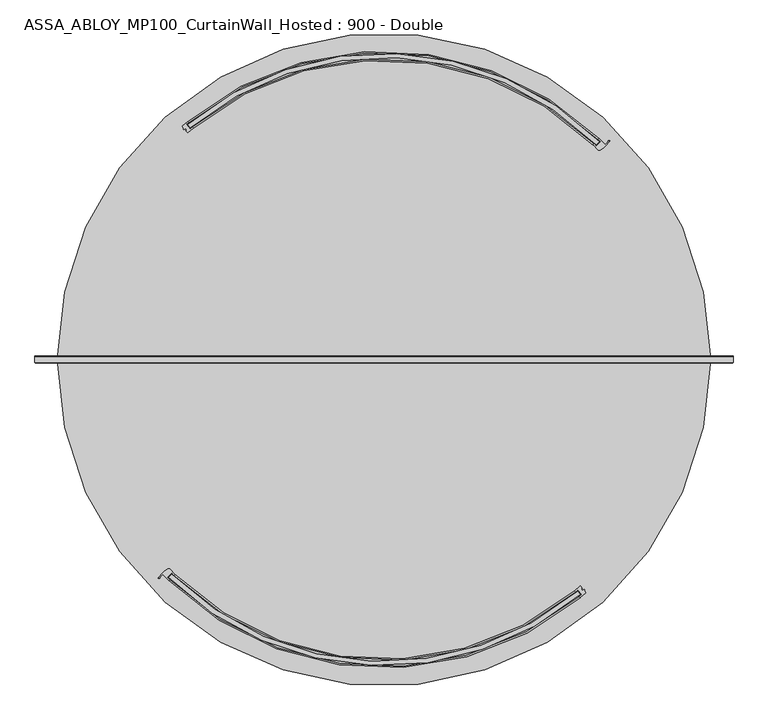
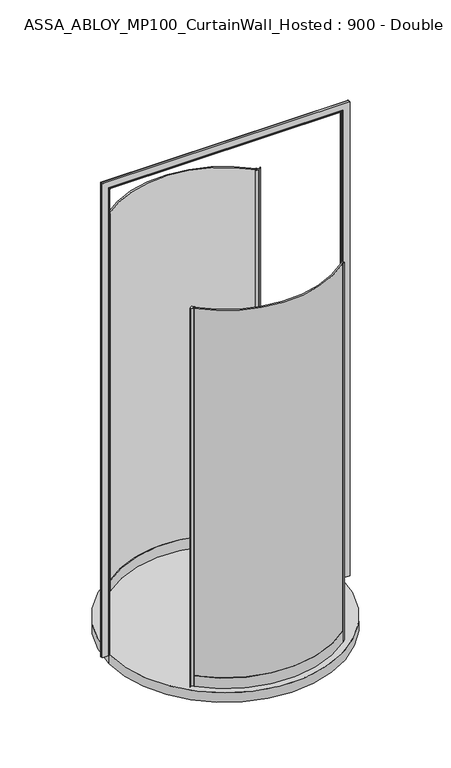
"""IFC4 building model written with IfcOpenShell, lengths in millimetres: plate geometry, ASSA_ABLOY_MP100_CurtainWall_Hosted : 900 - Double."""

from ifc_helpers import new_model, si_unit, point, frame, origin, origin_with_axes, origin_2d, place, context, project, spatial, polyline, circle_curve, ellipse_curve, trimmed, segment, composite_curve, outline, extrude, source, transform, mapped, element, save
from ifc_brep_helpers import plane_surface, cylinder_surface, revolved_surface, advanced_brep


def assa_abloy_mp100_curtainwall_hosted_900_double_670f4425(model_context):
    return source(origin(), model_context, "Body", "SolidModel", [
        extrude(outline(composite_curve([segment(trimmed(circle_curve(origin_2d(), 698.5), [point((-490.9895728, -496.8213858))], [point((447.911727, -535.9825882))], True, "CARTESIAN"), True, "CONTINUOUS"), segment(polyline([(447.911727, -535.9825882), (454.2710339, -543.7003566)]), True, "CONTINUOUS"), segment(trimmed(circle_curve(origin_2d(), 708.5), [point((454.2710339, -543.7003566))], [point((-497.9678543, -503.9843907))], False, "CARTESIAN"), True, "CONTINUOUS"), segment(polyline([(-497.9678543, -503.9843907), (-490.9895728, -496.8213858)]), True, "CONTINUOUS")], self_intersect=False)), origin_with_axes(), (0.0, 0.0, 1.0), 2600.0),
        extrude(outline(composite_curve([segment(polyline([(453.994875, -524.2431721), (458.3305753, -529.5050553), (456.4011788, -531.0948444), (458.6268836, -533.7959994), (463.1303685, -531.7447887), (463.8351403, -532.6001123), (462.4592124, -534.5156429), (466.7169037, -539.682853)]), True, "CONTINUOUS"), segment(trimmed(circle_curve(origin_2d(), 713.5), [point((466.7169037, -539.682853))], [point((453.7258137, -550.6497399))], False, "CARTESIAN"), True, "CONTINUOUS"), segment(polyline([(453.7258137, -550.6497399), (451.8180667, -548.3344642)]), True, "CONTINUOUS"), segment(trimmed(circle_curve(origin_2d(), 710.5), [point((451.8180667, -548.3344642))], [point((457.1984481, -543.8564416))], True, "CARTESIAN"), True, "CONTINUOUS"), segment(polyline([(457.1984481, -543.8564416), (448.2951882, -533.0512867)]), True, "CONTINUOUS"), segment(trimmed(circle_curve(origin_2d(), 696.5), [point((448.2951882, -533.0512867))], [point((442.7977457, -537.6266422))], False, "CARTESIAN"), True, "CONTINUOUS"), segment(polyline([(442.7977457, -537.6266422), (441.0075007, -535.2145685)]), True, "CONTINUOUS"), segment(trimmed(circle_curve(origin_2d(), 693.5), [point((441.0075007, -535.2145685))], [point((453.994875, -524.2431721))], True, "CARTESIAN"), True, "CONTINUOUS")], self_intersect=False)), origin_with_axes(), (0.0, 0.0, 1.0), 2600.0),
        advanced_brep(
        [(-490.998522, -493.9942887, 0.0), (-500.699855, -504.0902616, 0.0), (-495.6884468, -508.9778468, 0.0), (-497.7670678, -511.1410238, 0.0), (-511.6133107, -497.2748611, 0.0), (-518.778249, -505.9668089, 0.0), (-521.349799, -504.6508512, 0.0), (-499.4826662, -484.364755, 0.0), (-495.8006619, -484.8633819, 0.0), (-483.9095948, -496.7198435, 0.0), (-485.9882157, -498.8830206, 0.0), (-490.998522, -493.9942887, 2600.0), (-485.9882157, -498.8830206, 2600.0), (-483.9095948, -496.7198435, 2600.0), (-495.8006619, -484.8633819, 2600.0), (-499.4826662, -484.364755, 2600.0), (-521.349799, -504.6508512, 2600.0), (-518.7920549, -505.9595954, 2600.0), (-511.6133107, -497.2748611, 2600.0), (-497.7670678, -511.1410238, 2600.0), (-495.6884468, -508.9778468, 2600.0), (-500.699855, -504.0902616, 2600.0)],
        [
            (0, 1),
            (1, 2, circle_curve(frame((-168.9985207, -168.9985207, 0.0), z_axis=(0.0, 0.0, 1.0), x_axis=(-0.707106781186553, 0.7071067811865419, 0.0)), 471.5)),
            (2, 3),
            (3, 4, circle_curve(frame((-168.9985207, -168.9985207, 0.0), z_axis=(0.0, 0.0, -1.0), x_axis=(-0.707106781186553, 0.7071067811865419, 0.0)), 474.5)),
            (4, 5, circle_curve(frame((-494.5950932, -518.6023736, 0.0), z_axis=(0.0, 0.0, 1.0), x_axis=(-0.707106781186553, 0.7071067811865419, 0.0)), 27.285207)),
            (5, 6, circle_curve(frame((-520.0653426, -505.2943097, 0.0), z_axis=(0.0, 0.0, -1.0), x_axis=(-0.707106781186553, 0.7071067811865419, 0.0)), 1.4366164)),
            (6, 7, circle_curve(frame((-463.9017941, -544.6474353, 0.0), z_axis=(0.0, 0.0, -1.0), x_axis=(-0.707106781186553, 0.7071067811865419, 0.0)), 70.0)),
            (7, 8, circle_curve(frame((-497.9577717, -486.9482985, 0.0), z_axis=(0.0, 0.0, -1.0), x_axis=(-0.707106781186553, 0.7071067811865419, 0.0)), 3.0)),
            (8, 9, circle_curve(frame((-168.9985207, -168.9985207, 0.0), z_axis=(0.0, 0.0, 1.0), x_axis=(-0.707106781186553, 0.7071067811865419, 0.0)), 454.5)),
            (9, 10),
            (10, 0, circle_curve(frame((-168.9985207, -168.9985207, 0.0), z_axis=(0.0, 0.0, -1.0), x_axis=(-0.707106781186553, 0.7071067811865419, 0.0)), 457.5)),
            (11, 12, circle_curve(frame((-168.9985207, -168.9985207, 2600.0), z_axis=(0.0, 0.0, 1.0), x_axis=(-0.707106781186553, 0.7071067811865419, 0.0)), 457.5)),
            (12, 13),
            (13, 14, circle_curve(frame((-168.9985207, -168.9985207, 2600.0), z_axis=(0.0, 0.0, -1.0), x_axis=(-0.707106781186553, 0.7071067811865419, 0.0)), 454.5)),
            (14, 15, circle_curve(frame((-497.9577717, -486.9482985, 2600.0), z_axis=(0.0, 0.0, 1.0), x_axis=(-0.707106781186553, 0.7071067811865419, 0.0)), 3.0)),
            (15, 16, circle_curve(frame((-463.9017941, -544.6474353, 2600.0), z_axis=(0.0, 0.0, 1.0), x_axis=(-0.707106781186553, 0.7071067811865419, 0.0)), 70.0)),
            (16, 17, circle_curve(frame((-520.0653426, -505.2943097, 2600.0), z_axis=(0.0, 0.0, 1.0), x_axis=(-0.707106781186553, 0.7071067811865419, 0.0)), 1.4366164)),
            (17, 18, circle_curve(frame((-494.5950932, -518.6023736, 2600.0), z_axis=(0.0, 0.0, -1.0), x_axis=(-0.707106781186553, 0.7071067811865419, 0.0)), 27.285207)),
            (18, 19, circle_curve(frame((-168.9985207, -168.9985207, 2600.0), z_axis=(0.0, 0.0, 1.0), x_axis=(-0.707106781186553, 0.7071067811865419, 0.0)), 474.5)),
            (19, 20),
            (20, 21, circle_curve(frame((-168.9985207, -168.9985207, 2600.0), z_axis=(0.0, 0.0, -1.0), x_axis=(-0.707106781186553, 0.7071067811865419, 0.0)), 471.5)),
            (21, 11),
            (0, 11),
            (21, 1),
            (20, 2),
            (19, 3),
            (18, 4),
            (8, 14),
            (13, 9),
            (12, 10),
            (17, 5),
            (16, 6),
            (15, 7),
        ],
        [
            plane_surface(frame((-490.3785528, -490.3785528, 0.0), z_axis=(0.0, 0.0, -1.0), x_axis=(-0.707106781186542, -0.7071067811865531, 0.0))),
            plane_surface(frame((-490.3785528, -490.3785528, 2600.0), z_axis=(0.0, 0.0, 1.0), x_axis=(-0.707106781186542, -0.7071067811865531, 0.0))),
            plane_surface(frame((-490.998522, -493.9942887, 0.0), z_axis=(0.7210590160944299, -0.692873650320845, 0.0), x_axis=(0.0, 0.0, 1.0))),
            revolved_surface(polyline([(-502.39936802945977, 164.4023266294545, 2600.0), (-502.39936802945977, 164.4023266294545, 0.0)]), (-168.9985207, -168.9985207, 0.0), (0.0, 0.0, 1.0)),
            plane_surface(frame((-495.6884468, -508.9778468, 0.0), z_axis=(0.7210590160945624, -0.6928736503207072, 0.0), x_axis=(0.0, 0.0, 1.0))),
            cylinder_surface(frame((-168.9985207, -168.9985207, 0.0), z_axis=(0.0, 0.0, -1.0), x_axis=(-0.707106781186553, 0.7071067811865419, 0.0)), 474.5),
            revolved_surface(polyline([(-490.37855274928836, 152.38151134928327, 2600.0), (-490.37855274928836, 152.38151134928327, 0.0)]), (-168.9985207, -168.9985207, 0.0), (0.0, 0.0, 1.0)),
            plane_surface(frame((-483.9095948, -496.7198435, 0.0), z_axis=(0.7210590160946411, -0.6928736503206254, 0.0), x_axis=(0.0, 0.0, 1.0))),
            cylinder_surface(frame((-168.9985207, -168.9985207, 0.0), z_axis=(0.0, 0.0, -1.0), x_axis=(-0.707106781186553, 0.7071067811865419, 0.0)), 457.5),
            revolved_surface(polyline([(-513.8886480957788, -499.30881870422144, 2600.0), (-513.8886480957788, -499.30881870422144, 0.0)]), (-494.5950932, -518.6023736, 0.0), (0.0, 0.0, 1.0)),
            cylinder_surface(frame((-520.0653426, -505.2943097, 0.0), z_axis=(0.0, 0.0, -1.0), x_axis=(-0.707106781186553, 0.7071067811865419, 0.0)), 1.4366164),
            cylinder_surface(frame((-463.9017941, -544.6474353, 0.0), z_axis=(0.0, 0.0, -1.0), x_axis=(-0.707106781186553, 0.7071067811865419, 0.0)), 70.0),
            cylinder_surface(frame((-497.9577717, -486.9482985, 0.0), z_axis=(0.0, 0.0, -1.0), x_axis=(-0.707106781186553, 0.7071067811865419, 0.0)), 3.0),
        ],
        [
            (0, [[1, 2, 3, 4, 5, 6, 7, 8, 9, 10, 11]]),
            (1, [[12, 13, 14, 15, 16, 17, 18, 19, 20, 21, 22]]),
            (2, [[-1, 23, -22, 24]]),
            (3, [[-2, -24, -21, 25]]),
            (4, [[-3, -25, -20, 26]]),
            (5, [[-4, -26, -19, 27]]),
            (6, [[-9, 28, -14, 29]]),
            (7, [[-10, -29, -13, 30]]),
            (8, [[-11, -30, -12, -23]]),
            (9, [[-5, -27, -18, 31]]),
            (10, [[-6, -31, -17, 32]]),
            (11, [[-7, -32, -16, 33]]),
            (12, [[-8, -33, -15, -28]]),
        ],
    ),
        advanced_brep(
        [(-483.931596, -496.7418448, 73.0), (-483.931596, -496.7418448, 0.0), (-486.0250276, -498.890692, 0.0), (-486.0250276, -498.890692, 24.0), (-495.7943749, -508.9186456, 24.0), (-495.7943749, -508.9186456, 0.0), (-497.8878064, -511.0674928, 0.0), (-497.8878064, -511.0674928, 73.0), (-495.7943749, -508.9186456, 73.0), (-495.7943749, -508.9186456, 39.0), (-486.0250276, -498.890692, 39.0), (-486.0250276, -498.890692, 73.0), (441.0075007, -535.2145685, 73.0), (442.9152477, -537.5298442, 73.0), (442.9152477, -537.5298442, 39.0), (451.8180667, -548.3344642, 39.0), (451.8180667, -548.3344642, 73.0), (453.7258137, -550.6497399, 73.0), (453.7258137, -550.6497399, 0.0), (451.8180667, -548.3344642, 0.0), (451.8180667, -548.3344642, 24.0), (442.9152477, -537.5298442, 24.0), (442.9152477, -537.5298442, 0.0), (441.0075007, -535.2145685, 0.0)],
        [
            (0, 1),
            (1, 2),
            (2, 3),
            (3, 4),
            (4, 5),
            (5, 6),
            (6, 7),
            (7, 8),
            (8, 9),
            (9, 10),
            (10, 11),
            (11, 0),
            (12, 13),
            (13, 14),
            (14, 15),
            (15, 16),
            (16, 17),
            (17, 18),
            (18, 19),
            (19, 20),
            (20, 21),
            (21, 22),
            (22, 23),
            (23, 12),
            (23, 1, circle_curve(frame((0.0, 0.0, 0.0), z_axis=(0.0, 0.0, -1.0), x_axis=(-0.6978105206016527, -0.7162824005499858, 0.0)), 693.5)),
            (0, 12, circle_curve(frame((0.0, 0.0, 73.0), z_axis=(0.0, 0.0, 1.0), x_axis=(-0.6978105206016527, -0.7162824005499858, 0.0)), 693.5)),
            (22, 2, circle_curve(frame((0.0, 0.0, 0.0), z_axis=(0.0, 0.0, -1.0), x_axis=(-0.6978105206016527, -0.7162824005499858, 0.0)), 696.5)),
            (21, 3, circle_curve(frame((0.0, 0.0, 24.0), z_axis=(0.0, 0.0, -1.0), x_axis=(-0.6978105206016527, -0.7162824005499858, 0.0)), 696.5)),
            (20, 4, circle_curve(frame((0.0, 0.0, 24.0), z_axis=(0.0, 0.0, -1.0), x_axis=(-0.6978105206016527, -0.7162824005499858, 0.0)), 710.5)),
            (19, 5, circle_curve(frame((0.0, 0.0, 0.0), z_axis=(0.0, 0.0, -1.0), x_axis=(-0.6978105206016527, -0.7162824005499858, 0.0)), 710.5)),
            (18, 6, circle_curve(frame((0.0, 0.0, 0.0), z_axis=(0.0, 0.0, -1.0), x_axis=(-0.6978105206016527, -0.7162824005499858, 0.0)), 713.5)),
            (17, 7, circle_curve(frame((0.0, 0.0, 73.0), z_axis=(0.0, 0.0, -1.0), x_axis=(-0.6978105206016527, -0.7162824005499858, 0.0)), 713.5)),
            (16, 8, circle_curve(frame((0.0, 0.0, 73.0), z_axis=(0.0, 0.0, -1.0), x_axis=(-0.6978105206016527, -0.7162824005499858, 0.0)), 710.5)),
            (15, 9, circle_curve(frame((0.0, 0.0, 39.0), z_axis=(0.0, 0.0, -1.0), x_axis=(-0.6978105206016527, -0.7162824005499858, 0.0)), 710.5)),
            (14, 10, circle_curve(frame((0.0, 0.0, 39.0), z_axis=(0.0, 0.0, -1.0), x_axis=(-0.6978105206016527, -0.7162824005499858, 0.0)), 696.5)),
            (13, 11, circle_curve(frame((0.0, 0.0, 73.0), z_axis=(0.0, 0.0, -1.0), x_axis=(-0.6978105206016527, -0.7162824005499858, 0.0)), 696.5)),
        ],
        [
            plane_surface(frame((-483.931596, -496.7418448, 0.0), z_axis=(-0.7162824005499859, 0.6978105206016527, 0.0), x_axis=(0.0, 0.0, 1.0))),
            plane_surface(frame((441.0075007, -535.2145685, 0.0), z_axis=(0.7717585702338591, 0.6359156463483107, 0.0), x_axis=(0.0, 0.0, 1.0))),
            revolved_surface(polyline([(-483.93159603724615, -496.7418447814152, 73.00000000000003), (-483.93159603724615, -496.7418447814152, 0.0)]), (0.0, 0.0, 0.0), (0.0, 0.0, 1.0000000000000002)),
            plane_surface(frame((0.0, 0.0, 0.0), z_axis=(0.0, 0.0, -1.0), x_axis=(-0.6978105206016527, -0.7162824005499858, 0.0))),
            cylinder_surface(frame((0.0, 0.0, 0.0), z_axis=(0.0, 0.0, 1.0000000000000002), x_axis=(-0.6978105206016527, -0.7162824005499858, 0.0)), 696.5),
            plane_surface(frame((0.0, 0.0, 24.0), z_axis=(0.0, 0.0, -1.0), x_axis=(-0.6978105206016527, -0.7162824005499858, 0.0))),
            revolved_surface(polyline([(-495.79437488747425, -508.9186455907649, 24.000000000000014), (-495.79437488747425, -508.9186455907649, 0.0)]), (0.0, 0.0, 0.0), (0.0, 0.0, 1.0000000000000002)),
            cylinder_surface(frame((0.0, 0.0, 0.0), z_axis=(0.0, 0.0, 1.0000000000000002), x_axis=(-0.6978105206016527, -0.7162824005499858, 0.0)), 713.5),
            plane_surface(frame((0.0, 0.0, 73.0), z_axis=(0.0, 0.0, 1.0), x_axis=(-0.6978105206016527, -0.7162824005499858, 0.0))),
            revolved_surface(polyline([(-495.79437488747425, -508.9186455907649, 73.00000000000003), (-495.79437488747425, -508.9186455907649, 39.000000000000014)]), (0.0, 0.0, 0.0), (0.0, 0.0, 1.0000000000000002)),
            plane_surface(frame((0.0, 0.0, 39.0), z_axis=(0.0, 0.0, 1.0), x_axis=(-0.6978105206016527, -0.7162824005499858, 0.0))),
        ],
        [
            (0, [[1, 2, 3, 4, 5, 6, 7, 8, 9, 10, 11, 12]]),
            (1, [[13, 14, 15, 16, 17, 18, 19, 20, 21, 22, 23, 24]]),
            (2, [[25, -1, 26, -24]]),
            (3, [[27, -2, -25, -23]]),
            (4, [[28, -3, -27, -22]]),
            (5, [[29, -4, -28, -21]]),
            (6, [[30, -5, -29, -20]]),
            (3, [[31, -6, -30, -19]]),
            (7, [[32, -7, -31, -18]]),
            (8, [[33, -8, -32, -17]]),
            (9, [[34, -9, -33, -16]]),
            (10, [[35, -10, -34, -15]]),
            (4, [[36, -11, -35, -14]]),
            (8, [[-26, -12, -36, -13]]),
        ],
    ),
        extrude(outline(composite_curve([segment(trimmed(circle_curve(origin_2d(), 698.5), [point((490.9895728, 496.8213858))], [point((-447.911727, 535.9825882))], True, "CARTESIAN"), True, "CONTINUOUS"), segment(polyline([(-447.911727, 535.9825882), (-454.2710339, 543.7003566)]), True, "CONTINUOUS"), segment(trimmed(circle_curve(origin_2d(), 708.5), [point((-454.2710339, 543.7003566))], [point((497.9678543, 503.9843907))], False, "CARTESIAN"), True, "CONTINUOUS"), segment(polyline([(497.9678543, 503.9843907), (490.9895728, 496.8213858)]), True, "CONTINUOUS")], self_intersect=False)), origin_with_axes(), (0.0, 0.0, 1.0), 2600.0),
        extrude(outline(composite_curve([segment(polyline([(-453.994875, 524.2431721), (-458.3305753, 529.5050553), (-456.4011788, 531.0948444), (-458.6268836, 533.7959994), (-463.1303685, 531.7447887), (-463.8351403, 532.6001123), (-462.4592124, 534.5156429), (-466.7169037, 539.682853)]), True, "CONTINUOUS"), segment(trimmed(circle_curve(origin_2d(), 713.5), [point((-466.7169037, 539.682853))], [point((-453.7258137, 550.6497399))], False, "CARTESIAN"), True, "CONTINUOUS"), segment(polyline([(-453.7258137, 550.6497399), (-451.8180667, 548.3344642)]), True, "CONTINUOUS"), segment(trimmed(circle_curve(origin_2d(), 710.5), [point((-451.8180667, 548.3344642))], [point((-457.1984481, 543.8564416))], True, "CARTESIAN"), True, "CONTINUOUS"), segment(polyline([(-457.1984481, 543.8564416), (-448.2951882, 533.0512867)]), True, "CONTINUOUS"), segment(trimmed(circle_curve(origin_2d(), 696.5), [point((-448.2951882, 533.0512867))], [point((-442.7977457, 537.6266422))], False, "CARTESIAN"), True, "CONTINUOUS"), segment(polyline([(-442.7977457, 537.6266422), (-441.0075007, 535.2145685)]), True, "CONTINUOUS"), segment(trimmed(circle_curve(origin_2d(), 693.5), [point((-441.0075007, 535.2145685))], [point((-453.994875, 524.2431721))], True, "CARTESIAN"), True, "CONTINUOUS")], self_intersect=False)), origin_with_axes(), (0.0, 0.0, 1.0), 2600.0),
        advanced_brep(
        [(490.998522, 493.9942887, 0.0), (500.699855, 504.0902616, 0.0), (495.6884468, 508.9778468, 0.0), (497.7670678, 511.1410238, 0.0), (511.6133107, 497.2748611, 0.0), (518.778249, 505.9668089, 0.0), (521.349799, 504.6508512, 0.0), (499.4826662, 484.364755, 0.0), (495.8006619, 484.8633819, 0.0), (483.9095948, 496.7198435, 0.0), (485.9882157, 498.8830206, 0.0), (490.998522, 493.9942887, 2600.0), (485.9882157, 498.8830206, 2600.0), (483.9095948, 496.7198435, 2600.0), (495.8006619, 484.8633819, 2600.0), (499.4826662, 484.364755, 2600.0), (521.349799, 504.6508512, 2600.0), (518.7920549, 505.9595954, 2600.0), (511.6133107, 497.2748611, 2600.0), (497.7670678, 511.1410238, 2600.0), (495.6884468, 508.9778468, 2600.0), (500.699855, 504.0902616, 2600.0)],
        [
            (0, 1),
            (1, 2, circle_curve(frame((168.9985207, 168.9985207, 0.0), z_axis=(0.0, 0.0, 1.0), x_axis=(0.7071067811865525, -0.7071067811865417, 0.0)), 471.5)),
            (2, 3),
            (3, 4, circle_curve(frame((168.9985207, 168.9985207, 0.0), z_axis=(0.0, 0.0, -1.0), x_axis=(0.7071067811865525, -0.7071067811865417, 0.0)), 474.5)),
            (4, 5, circle_curve(frame((494.5950932, 518.6023736, 0.0), z_axis=(0.0, 0.0, 1.0), x_axis=(0.7071067811865525, -0.7071067811865417, 0.0)), 27.285207)),
            (5, 6, circle_curve(frame((520.0653426, 505.2943097, 0.0), z_axis=(0.0, 0.0, -1.0), x_axis=(0.7071067811865525, -0.7071067811865417, 0.0)), 1.4366164)),
            (6, 7, circle_curve(frame((463.9017941, 544.6474353, 0.0), z_axis=(0.0, 0.0, -1.0), x_axis=(0.7071067811865525, -0.7071067811865417, 0.0)), 70.0)),
            (7, 8, circle_curve(frame((497.9577717, 486.9482985, 0.0), z_axis=(0.0, 0.0, -1.0), x_axis=(0.7071067811865525, -0.7071067811865417, 0.0)), 3.0)),
            (8, 9, circle_curve(frame((168.9985207, 168.9985207, 0.0), z_axis=(0.0, 0.0, 1.0), x_axis=(0.7071067811865525, -0.7071067811865417, 0.0)), 454.5)),
            (9, 10),
            (10, 0, circle_curve(frame((168.9985207, 168.9985207, 0.0), z_axis=(0.0, 0.0, -1.0), x_axis=(0.7071067811865525, -0.7071067811865417, 0.0)), 457.5)),
            (11, 12, circle_curve(frame((168.9985207, 168.9985207, 2600.0), z_axis=(0.0, 0.0, 1.0), x_axis=(0.7071067811865525, -0.7071067811865417, 0.0)), 457.5)),
            (12, 13),
            (13, 14, circle_curve(frame((168.9985207, 168.9985207, 2600.0), z_axis=(0.0, 0.0, -1.0), x_axis=(0.7071067811865525, -0.7071067811865417, 0.0)), 454.5)),
            (14, 15, circle_curve(frame((497.9577717, 486.9482985, 2600.0), z_axis=(0.0, 0.0, 1.0), x_axis=(0.7071067811865525, -0.7071067811865417, 0.0)), 3.0)),
            (15, 16, circle_curve(frame((463.9017941, 544.6474353, 2600.0), z_axis=(0.0, 0.0, 1.0), x_axis=(0.7071067811865525, -0.7071067811865417, 0.0)), 70.0)),
            (16, 17, circle_curve(frame((520.0653426, 505.2943097, 2600.0), z_axis=(0.0, 0.0, 1.0), x_axis=(0.7071067811865525, -0.7071067811865417, 0.0)), 1.4366164)),
            (17, 18, circle_curve(frame((494.5950932, 518.6023736, 2600.0), z_axis=(0.0, 0.0, -1.0), x_axis=(0.7071067811865525, -0.7071067811865417, 0.0)), 27.285207)),
            (18, 19, circle_curve(frame((168.9985207, 168.9985207, 2600.0), z_axis=(0.0, 0.0, 1.0), x_axis=(0.7071067811865525, -0.7071067811865417, 0.0)), 474.5)),
            (19, 20),
            (20, 21, circle_curve(frame((168.9985207, 168.9985207, 2600.0), z_axis=(0.0, 0.0, -1.0), x_axis=(0.7071067811865525, -0.7071067811865417, 0.0)), 471.5)),
            (21, 11),
            (0, 11),
            (21, 1),
            (20, 2),
            (19, 3),
            (18, 4),
            (8, 14),
            (13, 9),
            (12, 10),
            (17, 5),
            (16, 6),
            (15, 7),
        ],
        [
            plane_surface(frame((490.3785528, 490.3785528, 0.0), z_axis=(0.0, 0.0, -1.0), x_axis=(0.7071067811865421, 0.7071067811865529, 0.0))),
            plane_surface(frame((490.3785528, 490.3785528, 2600.0), z_axis=(0.0, 0.0, 1.0), x_axis=(0.7071067811865421, 0.7071067811865529, 0.0))),
            plane_surface(frame((490.998522, 493.9942887, 0.0), z_axis=(-0.7210590160944298, 0.6928736503208452, 0.0), x_axis=(0.0, 0.0, 1.0))),
            revolved_surface(polyline([(502.39936802945954, -164.4023266294544, 2600.0), (502.39936802945954, -164.4023266294544, 0.0)]), (168.9985207, 168.9985207, 0.0), (0.0, 0.0, 1.0)),
            plane_surface(frame((495.6884468, 508.9778468, 0.0), z_axis=(-0.7210590160945622, 0.6928736503207075, 0.0), x_axis=(0.0, 0.0, 1.0))),
            cylinder_surface(frame((168.9985207, 168.9985207, 0.0), z_axis=(0.0, 0.0, -1.0), x_axis=(0.7071067811865525, -0.7071067811865417, 0.0)), 474.5),
            revolved_surface(polyline([(490.37855274928813, -152.38151134928322, 2600.0), (490.37855274928813, -152.38151134928322, 0.0)]), (168.9985207, 168.9985207, 0.0), (0.0, 0.0, 1.0)),
            plane_surface(frame((483.9095948, 496.7198435, 0.0), z_axis=(-0.7210590160946408, 0.6928736503206255, 0.0), x_axis=(0.0, 0.0, 1.0))),
            cylinder_surface(frame((168.9985207, 168.9985207, 0.0), z_axis=(0.0, 0.0, -1.0), x_axis=(0.7071067811865525, -0.7071067811865417, 0.0)), 457.5),
            revolved_surface(polyline([(513.8886480957788, 499.3088187042215, 2600.0), (513.8886480957788, 499.3088187042215, 0.0)]), (494.5950932, 518.6023736, 0.0), (0.0, 0.0, 1.0)),
            cylinder_surface(frame((520.0653426, 505.2943097, 0.0), z_axis=(0.0, 0.0, -1.0), x_axis=(0.7071067811865525, -0.7071067811865417, 0.0)), 1.4366164),
            cylinder_surface(frame((463.9017941, 544.6474353, 0.0), z_axis=(0.0, 0.0, -1.0), x_axis=(0.7071067811865525, -0.7071067811865417, 0.0)), 70.0),
            cylinder_surface(frame((497.9577717, 486.9482985, 0.0), z_axis=(0.0, 0.0, -1.0), x_axis=(0.7071067811865525, -0.7071067811865417, 0.0)), 3.0),
        ],
        [
            (0, [[1, 2, 3, 4, 5, 6, 7, 8, 9, 10, 11]]),
            (1, [[12, 13, 14, 15, 16, 17, 18, 19, 20, 21, 22]]),
            (2, [[-1, 23, -22, 24]]),
            (3, [[-2, -24, -21, 25]]),
            (4, [[-3, -25, -20, 26]]),
            (5, [[-4, -26, -19, 27]]),
            (6, [[-9, 28, -14, 29]]),
            (7, [[-10, -29, -13, 30]]),
            (8, [[-11, -30, -12, -23]]),
            (9, [[-5, -27, -18, 31]]),
            (10, [[-6, -31, -17, 32]]),
            (11, [[-7, -32, -16, 33]]),
            (12, [[-8, -33, -15, -28]]),
        ],
    ),
        advanced_brep(
        [(483.931596, 496.7418448, 73.0), (483.931596, 496.7418448, 0.0), (486.0250276, 498.890692, 0.0), (486.0250276, 498.890692, 24.0), (495.7943749, 508.9186456, 24.0), (495.7943749, 508.9186456, 0.0), (497.8878064, 511.0674928, 0.0), (497.8878064, 511.0674928, 73.0), (495.7943749, 508.9186456, 73.0), (495.7943749, 508.9186456, 39.0), (486.0250276, 498.890692, 39.0), (486.0250276, 498.890692, 73.0), (-441.0075007, 535.2145685, 73.0), (-442.9152477, 537.5298442, 73.0), (-442.9152477, 537.5298442, 39.0), (-451.8180667, 548.3344642, 39.0), (-451.8180667, 548.3344642, 73.0), (-453.7258137, 550.6497399, 73.0), (-453.7258137, 550.6497399, 0.0), (-451.8180667, 548.3344642, 0.0), (-451.8180667, 548.3344642, 24.0), (-442.9152477, 537.5298442, 24.0), (-442.9152477, 537.5298442, 0.0), (-441.0075007, 535.2145685, 0.0)],
        [
            (0, 1),
            (1, 2),
            (2, 3),
            (3, 4),
            (4, 5),
            (5, 6),
            (6, 7),
            (7, 8),
            (8, 9),
            (9, 10),
            (10, 11),
            (11, 0),
            (12, 13),
            (13, 14),
            (14, 15),
            (15, 16),
            (16, 17),
            (17, 18),
            (18, 19),
            (19, 20),
            (20, 21),
            (21, 22),
            (22, 23),
            (23, 12),
            (23, 1, circle_curve(frame((0.0, 0.0, 0.0), z_axis=(0.0, 0.0, -1.0), x_axis=(0.6978105206016525, 0.7162824005499853, 0.0)), 693.5)),
            (0, 12, circle_curve(frame((0.0, 0.0, 73.0), z_axis=(0.0, 0.0, 1.0), x_axis=(0.6978105206016525, 0.7162824005499853, 0.0)), 693.5)),
            (22, 2, circle_curve(frame((0.0, 0.0, 0.0), z_axis=(0.0, 0.0, -1.0), x_axis=(0.6978105206016525, 0.7162824005499853, 0.0)), 696.5)),
            (21, 3, circle_curve(frame((0.0, 0.0, 24.0), z_axis=(0.0, 0.0, -1.0), x_axis=(0.6978105206016525, 0.7162824005499853, 0.0)), 696.5)),
            (20, 4, circle_curve(frame((0.0, 0.0, 24.0), z_axis=(0.0, 0.0, -1.0), x_axis=(0.6978105206016525, 0.7162824005499853, 0.0)), 710.5)),
            (19, 5, circle_curve(frame((0.0, 0.0, 0.0), z_axis=(0.0, 0.0, -1.0), x_axis=(0.6978105206016525, 0.7162824005499853, 0.0)), 710.5)),
            (18, 6, circle_curve(frame((0.0, 0.0, 0.0), z_axis=(0.0, 0.0, -1.0), x_axis=(0.6978105206016525, 0.7162824005499853, 0.0)), 713.5)),
            (17, 7, circle_curve(frame((0.0, 0.0, 73.0), z_axis=(0.0, 0.0, -1.0), x_axis=(0.6978105206016525, 0.7162824005499853, 0.0)), 713.5)),
            (16, 8, circle_curve(frame((0.0, 0.0, 73.0), z_axis=(0.0, 0.0, -1.0), x_axis=(0.6978105206016525, 0.7162824005499853, 0.0)), 710.5)),
            (15, 9, circle_curve(frame((0.0, 0.0, 39.0), z_axis=(0.0, 0.0, -1.0), x_axis=(0.6978105206016525, 0.7162824005499853, 0.0)), 710.5)),
            (14, 10, circle_curve(frame((0.0, 0.0, 39.0), z_axis=(0.0, 0.0, -1.0), x_axis=(0.6978105206016525, 0.7162824005499853, 0.0)), 696.5)),
            (13, 11, circle_curve(frame((0.0, 0.0, 73.0), z_axis=(0.0, 0.0, -1.0), x_axis=(0.6978105206016525, 0.7162824005499853, 0.0)), 696.5)),
        ],
        [
            plane_surface(frame((483.931596, 496.7418448, 0.0), z_axis=(0.7162824005499858, -0.6978105206016529, 0.0), x_axis=(0.0, 0.0, 1.0))),
            plane_surface(frame((-441.0075007, 535.2145685, 0.0), z_axis=(-0.7717585702338592, -0.6359156463483105, 0.0), x_axis=(0.0, 0.0, 1.0))),
            revolved_surface(polyline([(483.931596037246, 496.7418447814148, 73.00000000000003), (483.931596037246, 496.7418447814148, 0.0)]), (0.0, 0.0, 0.0), (0.0, 0.0, 1.0000000000000002)),
            plane_surface(frame((0.0, 0.0, 0.0), z_axis=(0.0, 0.0, -1.0), x_axis=(0.6978105206016529, 0.7162824005499857, 0.0))),
            cylinder_surface(frame((0.0, 0.0, 0.0), z_axis=(0.0, 0.0, 1.0000000000000002), x_axis=(0.6978105206016525, 0.7162824005499853, 0.0)), 696.5),
            plane_surface(frame((0.0, 0.0, 24.0), z_axis=(0.0, 0.0, -1.0), x_axis=(0.6978105206016529, 0.7162824005499857, 0.0))),
            revolved_surface(polyline([(495.7943748874741, 508.9186455907645, 24.000000000000014), (495.7943748874741, 508.9186455907645, 0.0)]), (0.0, 0.0, 0.0), (0.0, 0.0, 1.0000000000000002)),
            cylinder_surface(frame((0.0, 0.0, 0.0), z_axis=(0.0, 0.0, 1.0000000000000002), x_axis=(0.6978105206016525, 0.7162824005499853, 0.0)), 713.5),
            plane_surface(frame((0.0, 0.0, 73.0), z_axis=(0.0, 0.0, 1.0), x_axis=(0.6978105206016529, 0.7162824005499857, 0.0))),
            revolved_surface(polyline([(495.7943748874741, 508.9186455907645, 73.00000000000003), (495.7943748874741, 508.9186455907645, 39.000000000000014)]), (0.0, 0.0, 0.0), (0.0, 0.0, 1.0000000000000002)),
            plane_surface(frame((0.0, 0.0, 39.0), z_axis=(0.0, 0.0, 1.0), x_axis=(0.6978105206016529, 0.7162824005499857, 0.0))),
        ],
        [
            (0, [[1, 2, 3, 4, 5, 6, 7, 8, 9, 10, 11, 12]]),
            (1, [[13, 14, 15, 16, 17, 18, 19, 20, 21, 22, 23, 24]]),
            (2, [[25, -1, 26, -24]]),
            (3, [[27, -2, -25, -23]]),
            (4, [[28, -3, -27, -22]]),
            (5, [[29, -4, -28, -21]]),
            (6, [[30, -5, -29, -20]]),
            (3, [[31, -6, -30, -19]]),
            (7, [[32, -7, -31, -18]]),
            (8, [[33, -8, -32, -17]]),
            (9, [[34, -9, -33, -16]]),
            (10, [[35, -10, -34, -15]]),
            (4, [[36, -11, -35, -14]]),
            (8, [[-26, -12, -36, -13]]),
        ],
    ),
        extrude(outline(composite_curve([segment(trimmed(circle_curve(origin_2d(), 755.0), [point((-755.0, 0.0))], [point((755.0, 0.0))], False, "CARTESIAN"), True, "CONTINUOUS"), segment(trimmed(circle_curve(origin_2d(), 755.0), [point((755.0, 0.0))], [point((-755.0, 0.0))], False, "CARTESIAN"), True, "CONTINUOUS")], self_intersect=False)), frame((0.0, 0.0, -65.0), z_axis=(0.0, 0.0, 1.0), x_axis=(1.0, 0.0, 0.0)), (0.0, 0.0, 1.0), 65.0),
        advanced_brep(
        [(755.9, 6.0, 0.0), (758.1980762, 6.0, 0.0), (759.0980762, 5.1, 0.0), (759.0980762, -5.1, 0.0), (758.1980762, -6.0, 0.0), (755.9, -6.0, 0.0), (755.0, -5.1, 0.0), (755.0, 5.1, 0.0), (-755.9, 6.0, 0.0), (-755.0, 5.1, 0.0), (-755.0, -5.1, 0.0), (-755.9, -6.0, 0.0), (-758.1980762, -6.0, 0.0), (-759.0980762, -5.1, 0.0), (-759.0980762, 5.1, 0.0), (-758.1980762, 6.0, 0.0), (755.9, 6.0, 3211.8), (-755.9, 6.0, 3211.8), (-758.1980762, 6.0, 3214.0980762), (758.1980762, 6.0, 3214.0980762), (759.0980762, 5.1, 3214.9980762), (759.0980762, -5.1, 3214.9980762), (758.1980762, -6.0, 3214.0980762), (-758.1980762, -6.0, 3214.0980762), (-755.9, -6.0, 3211.8), (755.9, -6.0, 3211.8), (755.0, -5.1, 3210.9), (755.0, 5.1, 3210.9), (-759.0980762, 5.1, 3214.9980762), (-759.0980762, -5.1, 3214.9980762), (-755.0, -5.1, 3210.9), (-755.0, 5.1, 3210.9)],
        [
            (0, 1),
            (1, 2, circle_curve(frame((758.1980762, 5.1, 0.0), z_axis=(0.0, 0.0, -1.0), x_axis=(-1.0, 0.0, 0.0)), 0.9)),
            (2, 3),
            (3, 4, circle_curve(frame((758.1980762, -5.1, 0.0), z_axis=(0.0, 0.0, -1.0), x_axis=(-1.0, 0.0, 0.0)), 0.9)),
            (4, 5),
            (5, 6, circle_curve(frame((755.9, -5.1, 0.0), z_axis=(0.0, 0.0, -1.0), x_axis=(-1.0, 0.0, 0.0)), 0.9)),
            (6, 7),
            (7, 0, circle_curve(frame((755.9, 5.1, 0.0), z_axis=(0.0, 0.0, -1.0), x_axis=(-1.0, 0.0, 0.0)), 0.9)),
            (8, 9, circle_curve(frame((-755.9, 5.1, 0.0), z_axis=(0.0, 0.0, -1.0), x_axis=(1.0, 0.0, 0.0)), 0.9)),
            (9, 10),
            (10, 11, circle_curve(frame((-755.9, -5.1, 0.0), z_axis=(0.0, 0.0, -1.0), x_axis=(1.0, 0.0, 0.0)), 0.9)),
            (11, 12),
            (12, 13, circle_curve(frame((-758.1980762, -5.1, 0.0), z_axis=(0.0, 0.0, -1.0), x_axis=(1.0, 0.0, 0.0)), 0.9)),
            (13, 14),
            (14, 15, circle_curve(frame((-758.1980762, 5.1, 0.0), z_axis=(0.0, 0.0, -1.0), x_axis=(1.0, 0.0, 0.0)), 0.9)),
            (15, 8),
            (0, 16),
            (16, 17),
            (17, 8),
            (15, 18),
            (18, 19),
            (19, 1),
            (19, 20, ellipse_curve(frame((758.1980762, 5.1, 3214.0980762), z_axis=(0.7071067811865475, 0.0, -0.7071067811865475), x_axis=(-0.7071067811865474, 0.0, -0.7071067811865476)), 1.2727922, 0.9)),
            (20, 2),
            (20, 21),
            (21, 3),
            (21, 22, ellipse_curve(frame((758.1980762, -5.1, 3214.0980762), z_axis=(0.7071067811865475, 0.0, -0.7071067811865475), x_axis=(-0.7071067811865474, 0.0, -0.7071067811865476)), 1.2727922, 0.9)),
            (22, 4),
            (22, 23),
            (23, 12),
            (11, 24),
            (24, 25),
            (25, 5),
            (25, 26, ellipse_curve(frame((755.9, -5.1, 3211.8), z_axis=(0.7071067811865475, 0.0, -0.7071067811865475), x_axis=(-0.7071067811865474, 0.0, -0.7071067811865476)), 1.2727922, 0.9)),
            (26, 6),
            (26, 27),
            (27, 7),
            (27, 16, ellipse_curve(frame((755.9, 5.1, 3211.8), z_axis=(0.7071067811865475, 0.0, -0.7071067811865475), x_axis=(-0.7071067811865474, 0.0, -0.7071067811865476)), 1.2727922, 0.9)),
            (18, 28, ellipse_curve(frame((-758.1980762, 5.1, 3214.0980762), z_axis=(0.7071067811865475, 0.0, 0.7071067811865475), x_axis=(0.7071067811865476, 0.0, -0.7071067811865474)), 1.2727922, 0.9)),
            (28, 20),
            (28, 29),
            (29, 21),
            (29, 23, ellipse_curve(frame((-758.1980762, -5.1, 3214.0980762), z_axis=(0.7071067811865475, 0.0, 0.7071067811865475), x_axis=(0.7071067811865476, 0.0, -0.7071067811865474)), 1.2727922, 0.9)),
            (24, 30, ellipse_curve(frame((-755.9, -5.1, 3211.8), z_axis=(0.7071067811865475, 0.0, 0.7071067811865475), x_axis=(0.7071067811865476, 0.0, -0.7071067811865474)), 1.2727922, 0.9)),
            (30, 26),
            (30, 31),
            (31, 27),
            (31, 17, ellipse_curve(frame((-755.9, 5.1, 3211.8), z_axis=(0.7071067811865475, 0.0, 0.7071067811865475), x_axis=(0.7071067811865476, 0.0, -0.7071067811865474)), 1.2727922, 0.9)),
            (14, 28),
            (13, 29),
            (10, 30),
            (9, 31),
        ],
        [
            plane_surface(frame((759.1, 0.0, 0.0), z_axis=(0.0, 0.0, -1.0), x_axis=(0.0, -1.0, 0.0))),
            plane_surface(frame((-759.1, 0.0, 0.0), z_axis=(0.0, 0.0, -1.0), x_axis=(0.0, -1.0, 0.0))),
            plane_surface(frame((755.9, 6.0, 0.0), z_axis=(0.0, 1.0, 0.0), x_axis=(0.0, 0.0, 1.0))),
            cylinder_surface(frame((758.1980762, 5.1, 0.0), z_axis=(0.0, 0.0, -1.0), x_axis=(-1.0, 0.0, 0.0)), 0.9),
            plane_surface(frame((759.0980762, 5.1, 0.0), z_axis=(1.0, 0.0, 0.0), x_axis=(0.0, 0.0, 1.0))),
            cylinder_surface(frame((758.1980762, -5.1, 0.0), z_axis=(0.0, 0.0, -1.0), x_axis=(-1.0, 0.0, 0.0)), 0.9),
            plane_surface(frame((758.1980762, -6.0, 0.0), z_axis=(0.0, -1.0, 0.0), x_axis=(0.0, 0.0, 1.0))),
            cylinder_surface(frame((755.9, -5.1, 0.0), z_axis=(0.0, 0.0, -1.0), x_axis=(-1.0, 0.0, 0.0)), 0.9),
            plane_surface(frame((755.0, -5.1, 0.0), z_axis=(-1.0, 0.0, 0.0), x_axis=(0.0, 0.0, 1.0))),
            cylinder_surface(frame((755.9, 5.1, 0.0), z_axis=(0.0, 0.0, -1.0), x_axis=(-1.0, 0.0, 0.0)), 0.9),
            cylinder_surface(frame((759.1, 5.1, 3214.0980762), z_axis=(1.0, 0.0, 0.0), x_axis=(0.0, 0.0, -1.0)), 0.9),
            plane_surface(frame((759.0980762, 5.1, 3214.9980762), z_axis=(0.0, 0.0, 1.0), x_axis=(-1.0, 0.0, 0.0))),
            cylinder_surface(frame((759.1, -5.1, 3214.0980762), z_axis=(1.0, 0.0, 0.0), x_axis=(0.0, 0.0, -1.0)), 0.9),
            cylinder_surface(frame((759.1, -5.1, 3211.8), z_axis=(1.0, 0.0, 0.0), x_axis=(0.0, 0.0, -1.0)), 0.9),
            plane_surface(frame((755.0, -5.1, 3210.9), z_axis=(0.0, 0.0, -1.0), x_axis=(-1.0, 0.0, 0.0))),
            cylinder_surface(frame((759.1, 5.1, 3211.8), z_axis=(1.0, 0.0, 0.0), x_axis=(0.0, 0.0, -1.0)), 0.9),
            cylinder_surface(frame((-758.1980762, 5.1, 3215.0), z_axis=(0.0, 0.0, 1.0), x_axis=(1.0, 0.0, 0.0)), 0.9),
            plane_surface(frame((-759.0980762, 5.1, 3214.9980762), z_axis=(-1.0, 0.0, 0.0), x_axis=(0.0, 0.0, -1.0))),
            cylinder_surface(frame((-758.1980762, -5.1, 3215.0), z_axis=(0.0, 0.0, 1.0), x_axis=(1.0, 0.0, 0.0)), 0.9),
            cylinder_surface(frame((-755.9, -5.1, 3215.0), z_axis=(0.0, 0.0, 1.0), x_axis=(1.0, 0.0, 0.0)), 0.9),
            plane_surface(frame((-755.0, -5.1, 3210.9), z_axis=(1.0, 0.0, 0.0), x_axis=(0.0, 0.0, -1.0))),
            cylinder_surface(frame((-755.9, 5.1, 3215.0), z_axis=(0.0, 0.0, 1.0), x_axis=(1.0, 0.0, 0.0)), 0.9),
        ],
        [
            (0, [[1, 2, 3, 4, 5, 6, 7, 8]]),
            (1, [[9, 10, 11, 12, 13, 14, 15, 16]]),
            (2, [[-1, 17, 18, 19, -16, 20, 21, 22]]),
            (3, [[-2, -22, 23, 24]]),
            (4, [[-3, -24, 25, 26]]),
            (5, [[-4, -26, 27, 28]]),
            (6, [[-5, -28, 29, 30, -12, 31, 32, 33]]),
            (7, [[-6, -33, 34, 35]]),
            (8, [[-7, -35, 36, 37]]),
            (9, [[-8, -37, 38, -17]]),
            (10, [[-23, -21, 39, 40]]),
            (11, [[-25, -40, 41, 42]]),
            (12, [[-27, -42, 43, -29]]),
            (13, [[-34, -32, 44, 45]]),
            (14, [[-36, -45, 46, 47]]),
            (15, [[-38, -47, 48, -18]]),
            (16, [[-39, -20, -15, 49]]),
            (17, [[-41, -49, -14, 50]]),
            (18, [[-43, -50, -13, -30]]),
            (19, [[-44, -31, -11, 51]]),
            (20, [[-46, -51, -10, 52]]),
            (21, [[-48, -52, -9, -19]]),
        ],
    ),
        advanced_brep(
        [(806.4209519, 8.5, 0.0), (807.0980762, 7.0, 0.0), (807.0980762, -7.0, 0.0), (806.4209519, -8.5, 0.0), (767.0980762, -8.5, 0.0), (767.0980762, 8.5, 0.0), (-806.4209519, 8.5, 0.0), (-767.0980762, 8.5, 0.0), (-767.0980762, -8.5, 0.0), (-806.4209519, -8.5, 0.0), (-807.0980762, -7.0, 0.0), (-807.0980762, 7.0, 0.0), (806.4209519, 8.5, 3262.3209519), (807.0980762, 7.0, 3262.9980762), (807.0980762, -7.0, 3262.9980762), (806.4209519, -8.5, 3262.3209519), (-806.4209519, -8.5, 3262.3209519), (-767.0980762, -8.5, 3222.9980762), (767.0980762, -8.5, 3222.9980762), (767.0980762, 8.5, 3222.9980762), (-767.0980762, 8.5, 3222.9980762), (-806.4209519, 8.5, 3262.3209519), (-807.0980762, 7.0, 3262.9980762), (-807.0980762, -7.0, 3262.9980762)],
        [
            (0, 1, circle_curve(frame((805.0980762, 7.0, 0.0), z_axis=(0.0, 0.0, -1.0), x_axis=(-1.0, 0.0, 0.0)), 2.0)),
            (1, 2),
            (2, 3, circle_curve(frame((805.0980762, -7.0, 0.0), z_axis=(0.0, 0.0, -1.0), x_axis=(-1.0, 0.0, 0.0)), 2.0)),
            (3, 4),
            (4, 5),
            (5, 0),
            (6, 7),
            (7, 8),
            (8, 9),
            (9, 10, circle_curve(frame((-805.0980762, -7.0, 0.0), z_axis=(0.0, 0.0, -1.0), x_axis=(1.0, 0.0, 0.0)), 2.0)),
            (10, 11),
            (11, 6, circle_curve(frame((-805.0980762, 7.0, 0.0), z_axis=(0.0, 0.0, -1.0), x_axis=(1.0, 0.0, 0.0)), 2.0)),
            (0, 12),
            (12, 13, ellipse_curve(frame((805.0980762, 7.0, 3260.9980762), z_axis=(0.7071067811865475, 0.0, -0.7071067811865475), x_axis=(-0.7071067811865474, 0.0, -0.7071067811865476)), 2.8284271, 2.0)),
            (13, 1),
            (13, 14),
            (14, 2),
            (14, 15, ellipse_curve(frame((805.0980762, -7.0, 3260.9980762), z_axis=(0.7071067811865475, 0.0, -0.7071067811865475), x_axis=(-0.7071067811865474, 0.0, -0.7071067811865476)), 2.8284271, 2.0)),
            (15, 3),
            (15, 16),
            (16, 9),
            (8, 17),
            (17, 18),
            (18, 4),
            (18, 19),
            (19, 5),
            (19, 20),
            (20, 7),
            (6, 21),
            (21, 12),
            (21, 22, ellipse_curve(frame((-805.0980762, 7.0, 3260.9980762), z_axis=(0.7071067811865475, 0.0, 0.7071067811865475), x_axis=(0.7071067811865476, 0.0, -0.7071067811865474)), 2.8284271, 2.0)),
            (22, 13),
            (22, 23),
            (23, 14),
            (23, 16, ellipse_curve(frame((-805.0980762, -7.0, 3260.9980762), z_axis=(0.7071067811865475, 0.0, 0.7071067811865475), x_axis=(0.7071067811865476, 0.0, -0.7071067811865474)), 2.8284271, 2.0)),
            (17, 20),
            (11, 22),
            (10, 23),
        ],
        [
            plane_surface(frame((759.1, 0.0, 0.0), z_axis=(0.0, 0.0, -1.0), x_axis=(0.0, -1.0, 0.0))),
            plane_surface(frame((-759.1, 0.0, 0.0), z_axis=(0.0, 0.0, -1.0), x_axis=(0.0, -1.0, 0.0))),
            cylinder_surface(frame((805.0980762, 7.0, 0.0), z_axis=(0.0, 0.0, -1.0), x_axis=(-1.0, 0.0, 0.0)), 2.0),
            plane_surface(frame((807.0980762, 7.0, 0.0), z_axis=(1.0, 0.0, 0.0), x_axis=(0.0, 0.0, 1.0))),
            cylinder_surface(frame((805.0980762, -7.0, 0.0), z_axis=(0.0, 0.0, -1.0), x_axis=(-1.0, 0.0, 0.0)), 2.0),
            plane_surface(frame((806.4209519, -8.5, 0.0), z_axis=(0.0, -1.0, 0.0), x_axis=(0.0, 0.0, 1.0))),
            plane_surface(frame((767.0980762, -8.5, 0.0), z_axis=(-1.0, 0.0, 0.0), x_axis=(0.0, 0.0, 1.0))),
            plane_surface(frame((767.0980762, 8.5, 0.0), z_axis=(0.0, 1.0, 0.0), x_axis=(0.0, 0.0, 1.0))),
            cylinder_surface(frame((759.1, 7.0, 3260.9980762), z_axis=(1.0, 0.0, 0.0), x_axis=(0.0, 0.0, -1.0)), 2.0),
            plane_surface(frame((807.0980762, 7.0, 3262.9980762), z_axis=(0.0, 0.0, 1.0), x_axis=(-1.0, 0.0, 0.0))),
            cylinder_surface(frame((759.1, -7.0, 3260.9980762), z_axis=(1.0, 0.0, 0.0), x_axis=(0.0, 0.0, -1.0)), 2.0),
            plane_surface(frame((767.0980762, -8.5, 3222.9980762), z_axis=(0.0, 0.0, -1.0), x_axis=(-1.0, 0.0, 0.0))),
            cylinder_surface(frame((-805.0980762, 7.0, 3215.0), z_axis=(0.0, 0.0, 1.0), x_axis=(1.0, 0.0, 0.0)), 2.0),
            plane_surface(frame((-807.0980762, 7.0, 3262.9980762), z_axis=(-1.0, 0.0, 0.0), x_axis=(0.0, 0.0, -1.0))),
            cylinder_surface(frame((-805.0980762, -7.0, 3215.0), z_axis=(0.0, 0.0, 1.0), x_axis=(1.0, 0.0, 0.0)), 2.0),
            plane_surface(frame((-767.0980762, -8.5, 3222.9980762), z_axis=(1.0, 0.0, 0.0), x_axis=(0.0, 0.0, -1.0))),
        ],
        [
            (0, [[1, 2, 3, 4, 5, 6]]),
            (1, [[7, 8, 9, 10, 11, 12]]),
            (2, [[-1, 13, 14, 15]]),
            (3, [[-2, -15, 16, 17]]),
            (4, [[-3, -17, 18, 19]]),
            (5, [[-4, -19, 20, 21, -9, 22, 23, 24]]),
            (6, [[-5, -24, 25, 26]]),
            (7, [[-6, -26, 27, 28, -7, 29, 30, -13]]),
            (8, [[-14, -30, 31, 32]]),
            (9, [[-16, -32, 33, 34]]),
            (10, [[-18, -34, 35, -20]]),
            (11, [[-25, -23, 36, -27]]),
            (12, [[-31, -29, -12, 37]]),
            (13, [[-33, -37, -11, 38]]),
            (14, [[-35, -38, -10, -21]]),
            (15, [[-36, -22, -8, -28]]),
        ],
    ),
    ])


if __name__ == "__main__":
    model = new_model("IFC4")
    model_context = context("Model", 3, world=origin())
    ifc_project = project(units=[si_unit("LENGTHUNIT", "METRE", prefix="MILLI")], contexts=[model_context])
    site = spatial("IfcSite", under=ifc_project)
    building = spatial("IfcBuilding", under=site)
    placement = place(None, origin())
    assa_abloy_mp100_curtainwall_hosted_900_double_shape = assa_abloy_mp100_curtainwall_hosted_900_double_670f4425(model_context)
    element("IfcPlate", 1, ObjectType="ASSA_ABLOY_MP100_CurtainWall_Hosted : 900 - Double", at=placement, inside=building, context=model_context, shape_type="MappedRepresentation", body=[
        mapped(assa_abloy_mp100_curtainwall_hosted_900_double_shape, transform((0.0, 0.0, 0.0), x_axis=(1.0, 0.0, 0.0), y_axis=(0.0, 1.0, 0.0), z_axis=(0.0, 0.0, 1.0))),
    ])
    save(model, "model.ifc")
